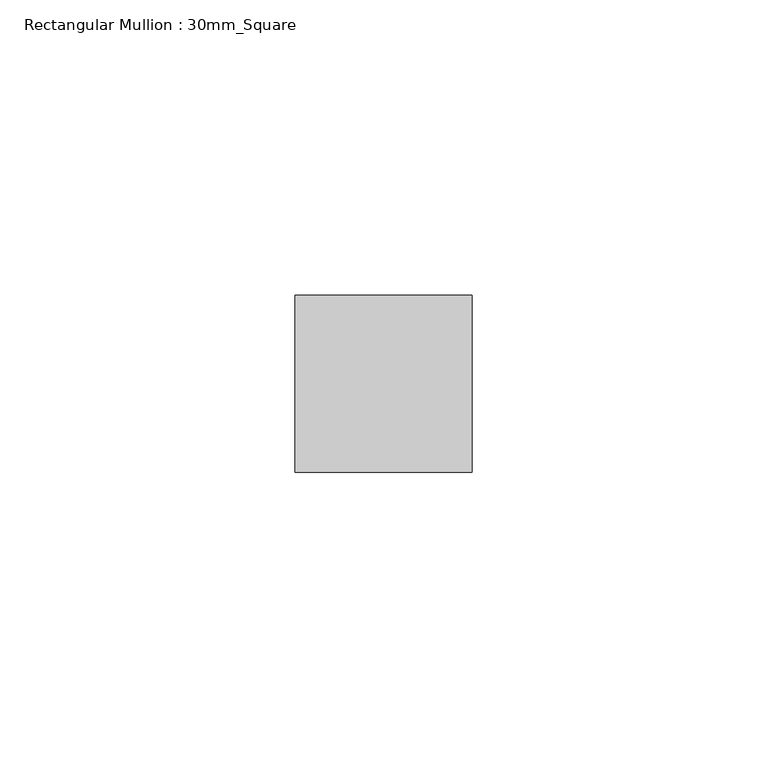
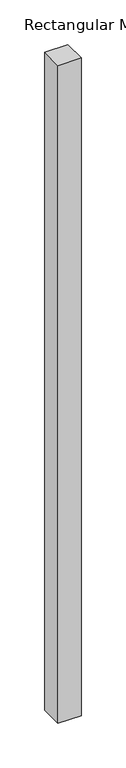
"""IFC4 building model written with IfcOpenShell, lengths in millimetres: member geometry, Rectangular Mullion : 30mm_Square."""

from ifc_helpers import new_model, si_unit, frame, origin, place, context, project, spatial, polyline, outline, extrude, source, transform, mapped, element, save


def rectangular_mullion_30mm_square_5c1dec61(model_context):
    return source(origin(), model_context, "Body", "SweptSolid", [
        extrude(outline(polyline([(15.0, 15.0), (15.0, -15.0), (-15.0, -15.0), (-15.0, 15.0), (15.0, 15.0)])), frame((0.0, 0.0, -900.0), z_axis=(0.0, 0.0, 1.0), x_axis=(1.0, 0.0, 0.0)), (0.0, 0.0, 1.0), 900.0),
    ])


if __name__ == "__main__":
    model = new_model("IFC4")
    model_context = context("Model", 3, world=origin())
    ifc_project = project(units=[si_unit("LENGTHUNIT", "METRE", prefix="MILLI")], contexts=[model_context])
    site = spatial("IfcSite", under=ifc_project)
    building = spatial("IfcBuilding", under=site)
    placement = place(None, origin())
    rectangular_mullion_30mm_square_shape = rectangular_mullion_30mm_square_5c1dec61(model_context)
    element("IfcMember", 1, ObjectType="Rectangular Mullion : 30mm_Square", at=placement, inside=building, context=model_context, shape_type="MappedRepresentation", body=[
        mapped(rectangular_mullion_30mm_square_shape, transform((0.0, 0.0, 0.0), x_axis=(1.0, 0.0, 0.0), y_axis=(0.0, 1.0, 0.0), z_axis=(0.0, 0.0, 1.0))),
    ])
    save(model, "model.ifc")
